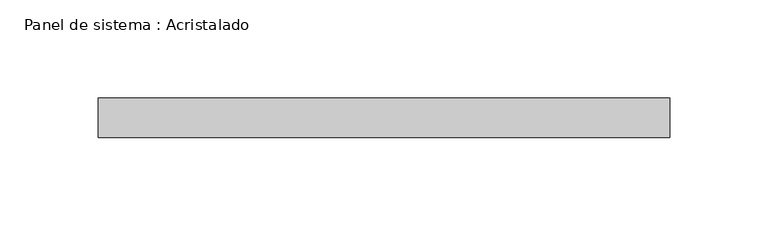
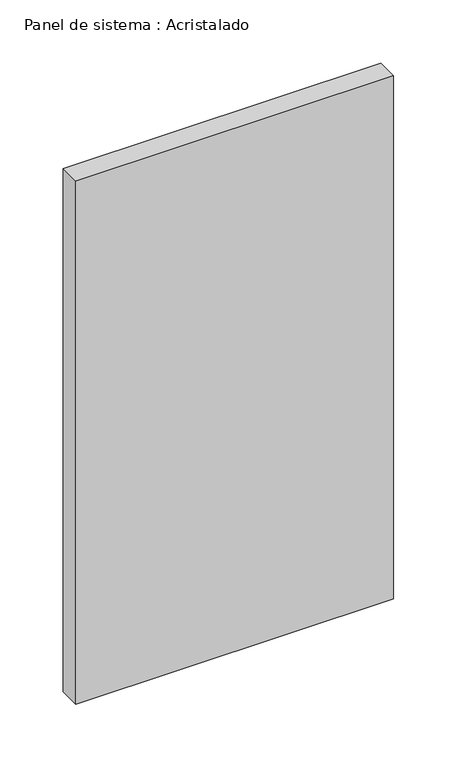
"""IFC4 building model written with IfcOpenShell, lengths in millimetres: plate geometry, Panel de sistema : Acristalado."""

from ifc_helpers import new_model, si_unit, origin, origin_with_axes, place, context, project, spatial, polyline, outline, extrude, source, transform, mapped, element, save


def panel_de_sistema_acristalado_196b7b61(model_context):
    return source(origin(), model_context, "Body", "SweptSolid", [
        extrude(outline(polyline([(145.0, -10.0), (-145.0, -10.0), (-145.0, 10.0), (145.0, 10.0), (145.0, -10.0)])), origin_with_axes(), (0.0, 0.0, 1.0), 505.0),
    ])


if __name__ == "__main__":
    model = new_model("IFC4")
    model_context = context("Model", 3, world=origin())
    ifc_project = project(units=[si_unit("LENGTHUNIT", "METRE", prefix="MILLI")], contexts=[model_context])
    site = spatial("IfcSite", under=ifc_project)
    building = spatial("IfcBuilding", under=site)
    placement = place(None, origin())
    panel_de_sistema_acristalado_shape = panel_de_sistema_acristalado_196b7b61(model_context)
    element("IfcPlate", 1, ObjectType="Panel de sistema : Acristalado", at=placement, inside=building, context=model_context, shape_type="MappedRepresentation", body=[
        mapped(panel_de_sistema_acristalado_shape, transform((0.0, 0.0, 0.0), x_axis=(1.0, 0.0, 0.0), y_axis=(0.0, 1.0, 0.0), z_axis=(0.0, 0.0, 1.0))),
    ])
    save(model, "model.ifc")
